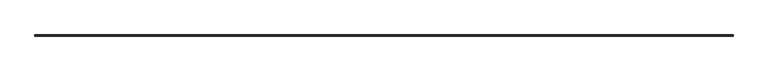
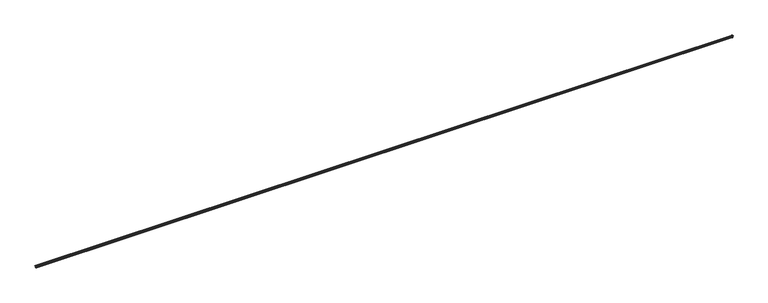
"""IFC4 building model written with IfcOpenShell, lengths in millimetres: railing geometry."""

import ifcopenshell
import ifcopenshell.guid

model = None  # the IFC model being written
_history = None  # IfcOwnerHistory: only IFC2X3 demands one
_inside = {}  # id of a spatial element -> (the spatial element, [elements in it])
_under = {}  # id of a project, library or spatial element -> (it, [spatial elements below it])
_declared = {}  # id of a project -> (the project, [libraries it declares])
_typed = {}  # id of a type object -> (the type object, [elements of that type])
_made_of = {}  # id of a material, layer set ... -> (it, [elements and type objects made of it])


def new_model(schema):
    """Start an empty IFC model of exactly this schema.

    Asked for "IFC4X3", IfcOpenShell would pick the latest addendum, in which some entities
    have other attributes; the version numbers below select the first issue.
    IFC2X3 requires an IfcOwnerHistory on every rooted entity: one is made here for all.
    """
    global model, _history
    if schema == "IFC4X3":
        model = ifcopenshell.file(schema_version=(4, 3, 0, 0))
    else:
        model = ifcopenshell.file(schema=schema)
    _inside.clear()
    _under.clear()
    _declared.clear()
    _typed.clear()
    _made_of.clear()
    _history = None
    if model.schema == "IFC2X3":
        org = make("IfcOrganization", Name="unknown")
        user = make(
            "IfcPersonAndOrganization",
            ThePerson=make("IfcPerson", FamilyName="unknown"),
            TheOrganization=org,
        )
        app = make(
            "IfcApplication",
            ApplicationDeveloper=org,
            Version="unknown",
            ApplicationFullName="unknown",
            ApplicationIdentifier="unknown",
        )
        _history = make(
            "IfcOwnerHistory",
            OwningUser=user,
            OwningApplication=app,
            ChangeAction="ADDED",
            CreationDate=0,
        )
    return model


def make(cls, **values):
    """One entity of the class cls with the attributes given. An attribute that is None is left unset."""
    return model.create_entity(
        cls, **{name: value for name, value in values.items() if value is not None}
    )


def rooted(cls, **values):
    """An entity with a GlobalId (a new one), such as an element, a storey or a relation."""
    return make(cls, GlobalId=ifcopenshell.guid.new(), OwnerHistory=_history, **values)


def si_unit(unit_type, name, prefix=None):
    """IfcSIUnit, for example si_unit("LENGTHUNIT", "METRE", prefix="MILLI")."""
    return make("IfcSIUnit", UnitType=unit_type, Prefix=prefix, Name=name)


def assignment(units):
    """IfcUnitAssignment: the units of a project."""
    return None if units is None else make("IfcUnitAssignment", Units=units)


def point(xyz):
    """IfcCartesianPoint."""
    return None if xyz is None else make("IfcCartesianPoint", Coordinates=xyz)


def direction(xyz):
    """IfcDirection."""
    return None if xyz is None else make("IfcDirection", DirectionRatios=xyz)


def frame(location, z_axis=None, x_axis=None):
    """IfcAxis2Placement3D, a coordinate frame: its origin and axes. An axis left out is left unset."""
    return make(
        "IfcAxis2Placement3D",
        Location=point(location),
        Axis=direction(z_axis),
        RefDirection=direction(x_axis),
    )


def origin():
    """The frame at (0, 0, 0) with its axes left unset."""
    return frame((0.0, 0.0, 0.0))


def place(relative_to, where):
    """IfcLocalPlacement: puts the frame where relative to a parent placement (None: the world)."""
    return make(
        "IfcLocalPlacement", PlacementRelTo=relative_to, RelativePlacement=where
    )


def context(
    kind, dimensions, precision=None, world=None, true_north=None, identifier=None
):
    """IfcGeometricRepresentationContext, for example the 3D "Model" context."""
    return make(
        "IfcGeometricRepresentationContext",
        ContextIdentifier=identifier,
        ContextType=kind,
        CoordinateSpaceDimension=dimensions,
        Precision=precision,
        WorldCoordinateSystem=world,
        TrueNorth=true_north,
    )


def project(units=None, contexts=None):
    """IfcProject with its units and contexts."""
    return rooted(
        "IfcProject",
        Name="project",
        RepresentationContexts=contexts,
        UnitsInContext=assignment(units),
    )


def spatial(cls, under=None, at=None, **own):
    """A site, building, storey or space (cls), placed at a placement, below another one or the project."""
    s = rooted(cls, ObjectPlacement=at, **own)
    if under is not None:
        _under.setdefault(under.id(), (under, []))[1].append(s)
    return s


def polyline(points):
    """IfcPolyline through the points."""
    return make("IfcPolyline", Points=[point(p) for p in points])


def circle_curve(where, radius):
    """IfcCircle in the frame where."""
    return make("IfcCircle", Position=where, Radius=radius)


def ellipse_curve(where, semi_axis1, semi_axis2):
    """IfcEllipse in the frame where."""
    return make(
        "IfcEllipse", Position=where, SemiAxis1=semi_axis1, SemiAxis2=semi_axis2
    )


def shape(context_of_items, identifier, shape_type, items):
    """IfcShapeRepresentation: the items that make up one representation, for example the "Body"."""
    return make(
        "IfcShapeRepresentation",
        ContextOfItems=context_of_items,
        RepresentationIdentifier=identifier,
        RepresentationType=shape_type,
        Items=items,
    )


def source(mapping_origin, context_of_items, identifier, shape_type, items):
    """IfcRepresentationMap: a shape defined once, which mapped items show again and again."""
    return make(
        "IfcRepresentationMap",
        MappingOrigin=mapping_origin,
        MappedRepresentation=shape(context_of_items, identifier, shape_type, items),
    )


def transform(
    local_origin,
    x_axis=None,
    y_axis=None,
    z_axis=None,
    scale=None,
    scale2=None,
    scale3=None,
    uniform=True,
):
    """IfcCartesianTransformationOperator3D, or its non-uniform kind. x_axis, y_axis, z_axis: its Axis1, 2, 3."""
    if uniform:
        return make(
            "IfcCartesianTransformationOperator3D",
            Axis1=direction(x_axis),
            Axis2=direction(y_axis),
            LocalOrigin=point(local_origin),
            Scale=scale,
            Axis3=direction(z_axis),
        )
    return make(
        "IfcCartesianTransformationOperator3DnonUniform",
        Axis1=direction(x_axis),
        Axis2=direction(y_axis),
        LocalOrigin=point(local_origin),
        Scale=scale,
        Axis3=direction(z_axis),
        Scale2=scale2,
        Scale3=scale3,
    )


def mapped(mapping_source, mapping_target):
    """IfcMappedItem: shows the shape of a source again, moved by a transform."""
    return make(
        "IfcMappedItem", MappingSource=mapping_source, MappingTarget=mapping_target
    )


def made_of(thing, what):
    """Note that an element or type object is made of a material, layer set ...; save() writes the relation."""
    if what is not None:
        _made_of.setdefault(what.id(), (what, []))[1].append(thing)
    return thing


def element(
    cls,
    number,
    at=None,
    inside=None,
    cuts=None,
    type_object=None,
    material=None,
    context=None,
    identifier="Body",
    shape_type=None,
    held_by="IfcProductDefinitionShape",
    body=None,
    shapes=None,
    **own,
):
    """One element of the class cls, such as IfcWall. Its Tag is "e" and its number.

    at: its placement. inside: the storey or other place that contains it. cuts: it is an
    opening in that element (IfcRelVoidsElement). A single representation is given by context,
    identifier, shape_type and body (its items); several are given by shapes. held_by: the class
    of the entity that holds the representations. save() writes the other relations.
    """
    e = rooted(cls, Tag="e%d" % number, ObjectPlacement=at, **own)
    if body is not None:
        shapes = [shape(context, identifier, shape_type, body)]
    if shapes is not None:
        e.Representation = make(held_by, Representations=shapes)
    if inside is not None:
        _inside.setdefault(inside.id(), (inside, []))[1].append(e)
    if cuts is not None:
        rooted(
            "IfcRelVoidsElement", RelatingBuildingElement=cuts, RelatedOpeningElement=e
        )
    if type_object is not None:
        _typed.setdefault(type_object.id(), (type_object, []))[1].append(e)
    return made_of(e, material)


def aggregate(whole, parts):
    """IfcRelAggregates: a whole, such as a stair, and the parts it consists of."""
    return rooted("IfcRelAggregates", RelatingObject=whole, RelatedObjects=parts)


def save(model, path):
    """Write the relations noted so far, then the file.

    IfcRelAggregates (storeys below a building ...), IfcRelContainedInSpatialStructure (elements
    in a storey), IfcRelDefinesByType, IfcRelAssociatesMaterial and IfcRelDeclares: one each for
    every whole, place, type object, material and project.
    """
    for whole, parts in _under.values():
        aggregate(whole, parts)
    for where, things in _inside.values():
        rooted(
            "IfcRelContainedInSpatialStructure",
            RelatedElements=things,
            RelatingStructure=where,
        )
    for kind, things in _typed.values():
        rooted("IfcRelDefinesByType", RelatedObjects=things, RelatingType=kind)
    for what, things in _made_of.values():
        rooted("IfcRelAssociatesMaterial", RelatedObjects=things, RelatingMaterial=what)
    for by, libraries in _declared.values():
        rooted("IfcRelDeclares", RelatingContext=by, RelatedDefinitions=libraries)
    model.write(path)


def plane_surface(at):
    """IfcPlane: the flat surface through the origin of the frame at, square to its z axis."""
    return make("IfcPlane", Position=at)


def cylinder_surface(at, radius):
    """IfcCylindricalSurface: all points at the distance radius from the z axis of the frame at."""
    return make("IfcCylindricalSurface", Position=at, Radius=radius)


def revolved_surface(curve, axis_point, axis_direction):
    """IfcSurfaceOfRevolution: the curve turned about the line through axis_point along axis_direction."""
    return make(
        "IfcSurfaceOfRevolution",
        SweptCurve=make("IfcArbitraryOpenProfileDef", ProfileType="CURVE", Curve=curve),
        AxisPosition=make("IfcAxis1Placement", Location=point(axis_point), Axis=direction(axis_direction)),
    )


def advanced_brep(points, edges, surfaces, faces):
    """IfcAdvancedBrep: a solid bounded by faces that lie on surfaces and meet in shared edges.

    An edge is (start, end): straight between two places in points (the first is 0);
    or (start, end, curve); or (start, end, curve, False) where it runs against its curve.
    A face is (place in surfaces, loops), or (place, loops, False) where it looks against
    its surface's normal. A loop lists edges by number (the first is 1), with a minus sign
    where the edge is run from its end to its start. The first loop is the outer one.
    """
    corners = [point(p) for p in points]
    vertices = [make("IfcVertexPoint", VertexGeometry=c) for c in corners]
    made = []
    for start, end, *more in edges:
        made.append(
            make(
                "IfcEdgeCurve",
                EdgeStart=vertices[start],
                EdgeEnd=vertices[end],
                EdgeGeometry=more[0] if more else make("IfcPolyline", Points=[corners[start], corners[end]]),
                SameSense=more[1] if len(more) > 1 else True,
            )
        )
    hull = []
    for where, loops, *sense in faces:
        bounds = []
        for j, loop in enumerate(loops):
            ring = [make("IfcOrientedEdge", EdgeElement=made[abs(k) - 1], Orientation=k > 0) for k in loop]
            bounds.append(
                make(
                    "IfcFaceOuterBound" if j == 0 else "IfcFaceBound",
                    Bound=make("IfcEdgeLoop", EdgeList=ring),
                    Orientation=True,
                )
            )
        hull.append(make("IfcAdvancedFace", Bounds=bounds, FaceSurface=surfaces[where], SameSense=sense[0] if sense else True))
    return make("IfcAdvancedBrep", Outer=make("IfcClosedShell", CfsFaces=hull))


def railing_c31e69ff(model_context):
    return source(origin(), model_context, "Body", "AdvancedBrep", [
        advanced_brep(
        [(25074.4663719, 68163.7828523, 812.0332911), (25074.4663719, 68163.7828523, 808.8554822), (25075.4832708, 68163.7828523, 808.4741451), (25075.4832708, 68163.7828523, 804.7380986), (25075.4832708, 68163.7828523, 793.8805901), (25075.4832708, 68163.7828523, 789.1848452), (25076.277723, 68163.7828523, 788.390393), (25083.1100121, 68163.7828523, 788.390393), (25083.1100121, 68163.7828523, 784.8312471), (25076.277723, 68163.7828523, 784.8312471), (25075.4832708, 68163.7828523, 784.0367949), (25075.4832708, 68163.7828523, 779.34105), (25075.4832708, 68163.7828523, 768.4835415), (25075.4832708, 68163.7828523, 764.747495), (25074.4663719, 68163.7828523, 764.3661579), (25074.4663719, 68163.7828523, 761.2), (25092.6168564, 68163.7828523, 761.2), (25093.604954, 68163.7828523, 767.0097383), (25094.833287, 68163.7828523, 784.2530554), (25098.7798024, 68163.7828523, 795.161599), (25097.5083244, 68163.7828523, 795.1613621), (25097.5083244, 68163.7828523, 796.4316887), (25098.7002897, 68163.7828523, 796.4316887), (25096.0294261, 68163.7828523, 809.8123381), (6786.4663719, 68163.7828523, 812.0332911), (6764.9033177, 68163.7828523, 809.8123381), (6762.2324541, 68163.7828523, 796.4316887), (6763.4244194, 68163.7828523, 796.4316887), (6763.4244194, 68163.7828523, 795.1613621), (6762.1529414, 68163.7828523, 795.161599), (6766.0994568, 68163.7828523, 784.2530554), (6767.3277899, 68163.7828523, 767.0097383), (6768.3158875, 68163.7828523, 761.2), (6786.4663719, 68163.7828523, 761.2), (6786.4663719, 68163.7828523, 764.3661579), (6785.4494731, 68163.7828523, 764.747495), (6785.4494731, 68163.7828523, 768.4835415), (6785.4494731, 68163.7828523, 779.34105), (6785.4494731, 68163.7828523, 784.0367949), (6784.6550209, 68163.7828523, 784.8312471), (6777.8227318, 68163.7828523, 784.8312471), (6777.8227318, 68163.7828523, 788.390393), (6784.6550209, 68163.7828523, 788.390393), (6785.4494731, 68163.7828523, 789.1848452), (6785.4494731, 68163.7828523, 793.8805901), (6785.4494731, 68163.7828523, 804.7380986), (6785.4494731, 68163.7828523, 808.4741451), (6786.4663719, 68163.7828523, 808.8554822), (25074.4663719, 68164.5766023, 812.0332911), (25096.0294261, 68186.1396565, 809.8123381), (6764.9033177, 68186.1396565, 809.8123381), (6786.4663719, 68164.5766023, 812.0332911), (25098.7002897, 68188.8105201, 796.4316887), (6762.2324541, 68188.8105201, 796.4316887), (25097.5083244, 68187.6185548, 796.4316887), (6763.4244194, 68187.6185548, 796.4316887), (25097.5083244, 68187.6185548, 795.1613621), (6763.4244194, 68187.6185548, 795.1613621), (25098.7798024, 68188.8900328, 795.161599), (6762.1529414, 68188.8900328, 795.161599), (25094.833287, 68184.9435174, 784.2530554), (6766.0994568, 68184.9435174, 784.2530554), (25093.604954, 68183.7151844, 767.0097383), (6767.3277899, 68183.7151844, 767.0097383), (25092.6168564, 68182.7270868, 761.2), (6768.3158875, 68182.7270868, 761.2), (25074.4663719, 68164.5766023, 761.2), (6786.4663719, 68164.5766023, 761.2), (25074.4663719, 68164.5766023, 764.3661579), (6786.4663719, 68164.5766023, 764.3661579), (25075.4832708, 68165.5935011, 764.747495), (25075.4832708, 68165.5935011, 768.4835415), (6785.4494731, 68165.5935011, 768.4835415), (6785.4494731, 68165.5935011, 764.747495), (25075.4832708, 68165.5935011, 779.34105), (6785.4494731, 68165.5935011, 779.34105), (25075.4832708, 68165.5935011, 784.0367949), (6785.4494731, 68165.5935011, 784.0367949), (25076.277723, 68166.3879534, 784.8312471), (6784.6550209, 68166.3879534, 784.8312471), (25083.1100121, 68173.2202425, 784.8312471), (6777.8227318, 68173.2202425, 784.8312471), (25083.1100121, 68173.2202425, 788.390393), (6777.8227318, 68173.2202425, 788.390393), (25076.277723, 68166.3879534, 788.390393), (6784.6550209, 68166.3879534, 788.390393), (25075.4832708, 68165.5935011, 789.1848452), (25075.4832708, 68165.5935011, 793.8805901), (6785.4494731, 68165.5935011, 793.8805901), (6785.4494731, 68165.5935011, 789.1848452), (25075.4832708, 68165.5935011, 804.7380986), (6785.4494731, 68165.5935011, 804.7380986), (25075.4832708, 68165.5935011, 808.4741451), (6785.4494731, 68165.5935011, 808.4741451), (25074.4663719, 68164.5766023, 808.8554822), (6786.4663719, 68164.5766023, 808.8554822)],
        [
            (0, 1),
            (1, 2),
            (2, 3),
            (3, 4, circle_curve(frame((25072.1783495, 68163.7828523, 799.3093443), z_axis=(0.0, 1.0, 0.0), x_axis=(0.5200000000000491, 0.0, 0.8541662601624751)), 6.3556178)),
            (4, 5),
            (5, 6),
            (6, 7),
            (7, 8),
            (8, 9),
            (9, 10),
            (10, 11),
            (11, 12, circle_curve(frame((25072.1783495, 68163.7828523, 773.9122958), z_axis=(0.0, 1.0, 0.0), x_axis=(0.5200000000001244, 0.0, -0.8541662601624292)), 6.3556178)),
            (12, 13),
            (13, 14),
            (14, 15),
            (15, 16),
            (16, 17, circle_curve(frame((25090.0629326, 68163.7828523, 764.6232564), z_axis=(0.0, -1.0, 0.0), x_axis=(0.8293242092200629, 0.0, 0.5587677120248783)), 4.2709731)),
            (17, 18, circle_curve(frame((25105.6938075, 68163.7828523, 774.8139939), z_axis=(0.0, 1.0, 0.0), x_axis=(-0.7547730640752663, 0.0, 0.6559859920352217)), 14.3891204)),
            (18, 19, circle_curve(frame((25082.7432386, 68163.7828523, 794.7951791), z_axis=(0.0, -1.0, 0.0), x_axis=(0.9997390631696983, 0.0, 0.022843063992687852)), 16.0407495)),
            (19, 20),
            (20, 21),
            (21, 22),
            (22, 23, circle_curve(frame((25095.2871578, 68163.7828523, 802.7072912), z_axis=(0.0, -1.0, 0.0), x_axis=(0.10390509231793602, 0.0, 0.9945872167841296)), 7.1437144)),
            (23, 0),
            (24, 25),
            (25, 26, circle_curve(frame((6765.645586, 68163.7828523, 802.7072912), z_axis=(0.0, -1.0, 0.0), x_axis=(-0.10390509231793602, 0.0, 0.9945872167841296)), 7.1437144)),
            (26, 27),
            (27, 28),
            (28, 29),
            (29, 30, circle_curve(frame((6778.1895053, 68163.7828523, 794.7951791), z_axis=(0.0, -1.0, 0.0), x_axis=(-0.9997390631696983, 0.0, 0.022843063992687852)), 16.0407495)),
            (30, 31, circle_curve(frame((6755.2389364, 68163.7828523, 774.8139939), z_axis=(0.0, 1.0, 0.0), x_axis=(0.7547730640752663, 0.0, 0.6559859920352217)), 14.3891204)),
            (31, 32, circle_curve(frame((6770.8698112, 68163.7828523, 764.6232564), z_axis=(0.0, -1.0, 0.0), x_axis=(-0.8293242092200629, 0.0, 0.5587677120248783)), 4.2709731)),
            (32, 33),
            (33, 34),
            (34, 35),
            (35, 36),
            (36, 37, circle_curve(frame((6788.7543943, 68163.7828523, 773.9122958), z_axis=(0.0, 1.0, 0.0), x_axis=(-0.5200000000001244, 0.0, -0.8541662601624292)), 6.3556178)),
            (37, 38),
            (38, 39),
            (39, 40),
            (40, 41),
            (41, 42),
            (42, 43),
            (43, 44),
            (44, 45, circle_curve(frame((6788.7543943, 68163.7828523, 799.3093443), z_axis=(0.0, 1.0, 0.0), x_axis=(-0.5200000000000491, 0.0, 0.8541662601624751)), 6.3556178)),
            (45, 46),
            (46, 47),
            (47, 24),
            (48, 49),
            (49, 50),
            (50, 51),
            (51, 48),
            (49, 52, ellipse_curve(frame((25095.2871578, 68185.3973882, 802.7072912), z_axis=(-0.7071067811865461, 0.7071067811865488, 0.0), x_axis=(0.7071067811865489, 0.707106781186546, 0.0)), 10.1027377, 7.1437144)),
            (52, 53),
            (53, 50, ellipse_curve(frame((6765.645586, 68185.3973882, 802.7072912), z_axis=(0.7071067811865488, 0.7071067811865461, 0.0), x_axis=(0.7071067811865462, -0.7071067811865487, 0.0)), 10.1027377, 7.1437144)),
            (52, 54),
            (54, 55),
            (55, 53),
            (54, 56),
            (56, 57),
            (57, 55),
            (56, 58),
            (58, 59),
            (59, 57),
            (58, 60, ellipse_curve(frame((25082.7432386, 68172.8534689, 794.7951791), z_axis=(-0.7071067811865461, 0.7071067811865488, 0.0), x_axis=(0.7071067811865489, 0.707106781186546, 0.0)), 22.6850455, 16.0407495)),
            (60, 61),
            (61, 59, ellipse_curve(frame((6778.1895053, 68172.8534689, 794.7951791), z_axis=(0.7071067811865488, 0.7071067811865461, 0.0), x_axis=(0.7071067811865462, -0.7071067811865487, 0.0)), 22.6850455, 16.0407495)),
            (60, 62, ellipse_curve(frame((25105.6938075, 68195.8040379, 774.8139939), z_axis=(0.7071067811865461, -0.7071067811865488, 0.0), x_axis=(-0.7071067811865489, -0.707106781186546, 0.0)), 20.3492892, 14.3891204)),
            (62, 63),
            (63, 61, ellipse_curve(frame((6755.2389364, 68195.8040379, 774.8139939), z_axis=(-0.7071067811865488, -0.7071067811865461, 0.0), x_axis=(-0.7071067811865462, 0.7071067811865487, 0.0)), 20.3492892, 14.3891204)),
            (62, 64, ellipse_curve(frame((25090.0629326, 68180.173163, 764.6232564), z_axis=(-0.7071067811865461, 0.7071067811865488, 0.0), x_axis=(0.7071067811865489, 0.707106781186546, 0.0)), 6.0400681, 4.2709731)),
            (64, 65),
            (65, 63, ellipse_curve(frame((6770.8698112, 68180.173163, 764.6232564), z_axis=(0.7071067811865488, 0.7071067811865461, 0.0), x_axis=(0.7071067811865462, -0.7071067811865487, 0.0)), 6.0400681, 4.2709731)),
            (64, 66),
            (66, 67),
            (67, 65),
            (66, 68),
            (68, 69),
            (69, 67),
            (70, 71),
            (71, 72),
            (72, 73),
            (73, 70),
            (71, 74, ellipse_curve(frame((25072.1783495, 68162.2885799, 773.9122958), z_axis=(0.7071067811865461, -0.7071067811865488, 0.0), x_axis=(-0.7071067811865489, -0.707106781186546, 0.0)), 8.9882008, 6.3556178)),
            (74, 75),
            (75, 72, ellipse_curve(frame((6788.7543943, 68162.2885799, 773.9122958), z_axis=(-0.7071067811865488, -0.7071067811865461, 0.0), x_axis=(-0.7071067811865462, 0.7071067811865487, 0.0)), 8.9882008, 6.3556178)),
            (74, 76),
            (76, 77),
            (77, 75),
            (76, 78),
            (78, 79),
            (79, 77),
            (78, 80),
            (80, 81),
            (81, 79),
            (80, 82),
            (82, 83),
            (83, 81),
            (82, 84),
            (84, 85),
            (85, 83),
            (86, 87),
            (87, 88),
            (88, 89),
            (89, 86),
            (87, 90, ellipse_curve(frame((25072.1783495, 68162.2885799, 799.3093443), z_axis=(0.7071067811865461, -0.7071067811865488, 0.0), x_axis=(-0.7071067811865489, -0.707106781186546, 0.0)), 8.9882008, 6.3556178)),
            (90, 91),
            (91, 88, ellipse_curve(frame((6788.7543943, 68162.2885799, 799.3093443), z_axis=(-0.7071067811865488, -0.7071067811865461, 0.0), x_axis=(-0.7071067811865462, 0.7071067811865487, 0.0)), 8.9882008, 6.3556178)),
            (90, 92),
            (92, 93),
            (93, 91),
            (92, 94),
            (94, 95),
            (95, 93),
            (68, 70),
            (73, 69),
            (84, 86),
            (89, 85),
            (94, 48),
            (51, 95),
            (0, 48),
            (94, 1),
            (23, 49),
            (51, 24),
            (47, 95),
            (50, 25),
            (6, 84),
            (82, 7),
            (80, 8),
            (78, 9),
            (76, 10),
            (74, 11),
            (71, 12),
            (70, 13),
            (14, 68),
            (66, 15),
            (64, 16),
            (62, 17),
            (60, 18),
            (58, 19),
            (56, 20),
            (54, 21),
            (52, 22),
            (85, 42),
            (41, 83),
            (40, 81),
            (39, 79),
            (38, 77),
            (37, 75),
            (36, 72),
            (35, 73),
            (69, 34),
            (33, 67),
            (32, 65),
            (31, 63),
            (30, 61),
            (29, 59),
            (28, 57),
            (27, 55),
            (26, 53),
            (92, 2),
            (90, 3),
            (87, 4),
            (86, 5),
            (46, 93),
            (45, 91),
            (44, 88),
            (43, 89),
        ],
        [
            plane_surface(frame((25074.4663719, 68163.7828523, 812.8), z_axis=(0.0, -1.0, 0.0), x_axis=(0.0, 0.0, 1.0))),
            plane_surface(frame((6786.4663719, 68163.7828523, 812.8), z_axis=(0.0, -1.0, 0.0), x_axis=(0.0, 0.0, -1.0))),
            plane_surface(frame((25096.0294261, 68186.1396565, 809.8123381), z_axis=(0.0, 0.10245604468438044, 0.9947375326726304), x_axis=(-1.0, 0.0, 0.0))),
            cylinder_surface(frame((25074.4663719, 68185.3973882, 802.7072912), z_axis=(1.0000000000000002, 0.0, 0.0), x_axis=(0.0, 0.10390509231793602, 0.9945872167841296)), 7.1437144),
            plane_surface(frame((25097.5083244, 68187.6185548, 796.4316887), z_axis=(0.0, 0.0, -1.0), x_axis=(-1.0, 0.0, 0.0))),
            plane_surface(frame((25097.5083244, 68187.6185548, 795.1613621), z_axis=(0.0, 1.0, 0.0), x_axis=(-1.0, 0.0, 0.0))),
            plane_surface(frame((25098.7798024, 68188.8900328, 795.161599), z_axis=(0.0, -0.00018628075970573773, 0.9999999826497391), x_axis=(-1.0, 0.0, 0.0))),
            cylinder_surface(frame((25074.4663719, 68172.8534689, 794.7951791), z_axis=(1.0, 0.0, 0.0), x_axis=(0.0, 0.9997390631696983, 0.022843063992687852)), 16.0407495),
            revolved_surface(polyline([(6740.849816014354, 68184.94351740634, 784.2530553201083), (25120.082927885647, 68184.94351740634, 784.2530553201083)]), (25074.4663719, 68195.8040379, 774.8139939), (-1.0, 0.0, 0.0)),
            cylinder_surface(frame((25074.4663719, 68180.173163, 764.6232564), z_axis=(1.0, 0.0, 0.0), x_axis=(0.0, 0.8293242092200629, 0.5587677120248783)), 4.2709731),
            plane_surface(frame((25074.4663719, 68164.5766023, 761.2), z_axis=(0.0, 0.0, -1.0), x_axis=(-1.0, 0.0, 0.0))),
            plane_surface(frame((25074.4663719, 68164.5766023, 764.3661579), z_axis=(0.0, -1.0, 0.0), x_axis=(-1.0, 0.0, 0.0))),
            plane_surface(frame((25075.4832708, 68165.5935011, 768.4835415), z_axis=(0.0, -1.0, 0.0), x_axis=(-1.0, 0.0, 0.0))),
            revolved_surface(polyline([(6782.398776563656, 68165.593501156, 768.4835415127523), (25078.533967236348, 68165.593501156, 768.4835415127523)]), (25074.4663719, 68162.2885799, 773.9122958), (-1.0, 0.0, 0.0)),
            plane_surface(frame((25075.4832708, 68165.5935011, 784.0367949), z_axis=(0.0, -1.0, 0.0), x_axis=(-1.0, 0.0, 0.0))),
            plane_surface(frame((25076.277723, 68166.3879534, 784.8312471), z_axis=(0.0, -0.7071067811866235, 0.7071067811864715), x_axis=(-1.0, 0.0, 0.0))),
            plane_surface(frame((25083.1100121, 68173.2202425, 784.8312471), z_axis=(0.0, 0.0, 1.0), x_axis=(-1.0, 0.0, 0.0))),
            plane_surface(frame((25083.1100121, 68173.2202425, 788.390393), z_axis=(0.0, -1.0, 0.0), x_axis=(-1.0, 0.0, 0.0))),
            plane_surface(frame((25076.277723, 68166.3879534, 788.390393), z_axis=(0.0, 0.0, -1.0), x_axis=(-1.0, 0.0, 0.0))),
            plane_surface(frame((25075.4832708, 68165.5935011, 793.8805901), z_axis=(0.0, -1.0, 0.0), x_axis=(-1.0, 0.0, 0.0))),
            revolved_surface(polyline([(6782.398776563656, 68165.593501156, 804.738098587248), (25078.533967236348, 68165.593501156, 804.738098587248)]), (25074.4663719, 68162.2885799, 799.3093443), (-1.0, 0.0, 0.0)),
            plane_surface(frame((25075.4832708, 68165.5935011, 808.4741451), z_axis=(0.0, -1.0, 0.0), x_axis=(-1.0, 0.0, 0.0))),
            plane_surface(frame((25074.4663719, 68164.5766023, 808.8554822), z_axis=(0.0, -0.35112344158896536, -0.9363291775688294), x_axis=(-1.0, 0.0, 0.0))),
            plane_surface(frame((25075.4832708, 68165.5935011, 764.747495), z_axis=(0.0, -0.3511234415876268, 0.9363291775693313), x_axis=(-1.0, 0.0, 0.0))),
            plane_surface(frame((25075.4832708, 68165.5935011, 789.1848452), z_axis=(0.0, -0.7071067811866313, -0.7071067811864638), x_axis=(-1.0, 0.0, 0.0))),
            plane_surface(frame((25074.4663719, 68164.5766023, 812.0332911), z_axis=(0.0, -1.0, 0.0), x_axis=(-1.0, 0.0, 0.0))),
            plane_surface(frame((25074.4663719, 68163.7828523, 812.0332911), z_axis=(-1.0, 0.0, 0.0), x_axis=(0.0, 1.0, 0.0))),
            plane_surface(frame((25096.0294261, 68163.7828523, 809.8123381), z_axis=(0.10245604468438044, 0.0, 0.9947375326726304), x_axis=(0.0, 1.0, 0.0))),
            plane_surface(frame((6786.4663719, 68164.5766023, 812.0332911), z_axis=(1.0, 2.7284841052989324e-12, 0.0), x_axis=(2.7284841052989324e-12, -1.0, 0.0))),
            plane_surface(frame((6764.9033177, 68186.1396565, 809.8123381), z_axis=(-0.10245604468438044, 0.0, 0.9947375326726304), x_axis=(0.0, -1.0, 0.0))),
            plane_surface(frame((25076.277723, 68163.7828523, 788.390393), z_axis=(0.0, 0.0, -1.0), x_axis=(0.0, 1.0, 0.0))),
            plane_surface(frame((25083.1100121, 68163.7828523, 788.390393), z_axis=(-1.0, 0.0, 0.0), x_axis=(0.0, 1.0, 0.0))),
            plane_surface(frame((25083.1100121, 68163.7828523, 784.8312471), z_axis=(0.0, 0.0, 1.0), x_axis=(0.0, 1.0, 0.0))),
            plane_surface(frame((25076.277723, 68163.7828523, 784.8312471), z_axis=(-0.7071067811866235, 0.0, 0.7071067811864715), x_axis=(0.0, 1.0, 0.0))),
            plane_surface(frame((25075.4832708, 68163.7828523, 784.0367949), z_axis=(-1.0, 0.0, 0.0), x_axis=(0.0, 1.0, 0.0))),
            revolved_surface(polyline([(25075.483270756, 68168.64419763636, 768.4835415127523), (25075.483270756, 68155.93296216366, 768.4835415127523)]), (25072.1783495, 68163.7828523, 773.9122958), (0.0, 1.0, 0.0)),
            plane_surface(frame((25075.4832708, 68163.7828523, 768.4835415), z_axis=(-1.0, 0.0, 0.0), x_axis=(0.0, 1.0, 0.0))),
            plane_surface(frame((25074.4663719, 68163.7828523, 764.3661579), z_axis=(-1.0, 0.0, 0.0), x_axis=(0.0, 1.0, 0.0))),
            plane_surface(frame((25074.4663719, 68163.7828523, 761.2), z_axis=(0.0, 0.0, -1.0), x_axis=(5.456968210597865e-12, 1.0, 0.0))),
            cylinder_surface(frame((25090.0629326, 68163.7828523, 764.6232564), z_axis=(0.0, -1.0, 0.0), x_axis=(0.8293242092200629, 0.0, 0.5587677120248783)), 4.2709731),
            revolved_surface(polyline([(25094.833287006342, 68210.19315828565, 784.2530553201083), (25094.833287006342, 68163.7828523, 784.2530553201083)]), (25105.6938075, 68163.7828523, 774.8139939), (0.0, 1.0, 0.0)),
            cylinder_surface(frame((25082.7432386, 68163.7828523, 794.7951791), z_axis=(0.0, -1.0, 0.0), x_axis=(0.9997390631696983, 0.0, 0.022843063992687852)), 16.0407495),
            plane_surface(frame((25098.7798024, 68163.7828523, 795.161599), z_axis=(-0.00018628075970573773, 0.0, 0.9999999826497391), x_axis=(0.0, 1.0, 0.0))),
            plane_surface(frame((25097.5083244, 68163.7828523, 795.1613621), z_axis=(1.0, 0.0, 0.0), x_axis=(0.0, 1.0, 0.0))),
            plane_surface(frame((25097.5083244, 68163.7828523, 796.4316887), z_axis=(0.0, 0.0, -1.0), x_axis=(0.0, 1.0, 0.0))),
            cylinder_surface(frame((25095.2871578, 68163.7828523, 802.7072912), z_axis=(0.0, -1.0000000000000002, 0.0), x_axis=(0.10390509231793602, 0.0, 0.9945872167841296)), 7.1437144),
            plane_surface(frame((6784.6550209, 68166.3879534, 788.390393), z_axis=(0.0, 0.0, -1.0), x_axis=(0.0, -1.0, 0.0))),
            plane_surface(frame((6777.8227318, 68173.2202425, 788.390393), z_axis=(1.0, 0.0, 0.0), x_axis=(0.0, -1.0, 0.0))),
            plane_surface(frame((6777.8227318, 68173.2202425, 784.8312471), z_axis=(0.0, 0.0, 1.0), x_axis=(0.0, -1.0, 0.0))),
            plane_surface(frame((6784.6550209, 68166.3879534, 784.8312471), z_axis=(0.7071067811866235, 0.0, 0.7071067811864715), x_axis=(0.0, -1.0, 0.0))),
            plane_surface(frame((6785.4494731, 68165.5935011, 784.0367949), z_axis=(1.0, 1.196109487988973e-12, 0.0), x_axis=(1.196109487988973e-12, -1.0, 0.0))),
            revolved_surface(polyline([(6785.449473043999, 68155.93296216366, 768.4835415127523), (6785.449473043999, 68168.64419763636, 768.4835415127523)]), (6788.7543943, 68164.5766023, 773.9122958), (0.0, -1.0, 0.0)),
            plane_surface(frame((6785.4494731, 68165.5935011, 768.4835415), z_axis=(1.0, 1.196109487988973e-12, 0.0), x_axis=(1.196109487988973e-12, -1.0, 0.0))),
            plane_surface(frame((6786.4663719, 68164.5766023, 764.3661579), z_axis=(1.0, 2.7284841052989324e-12, 0.0), x_axis=(2.7284841052989324e-12, -1.0, 0.0))),
            plane_surface(frame((6786.4663719, 68164.5766023, 761.2), z_axis=(0.0, 0.0, -1.0), x_axis=(1.3642420526494662e-12, -1.0, 0.0))),
            cylinder_surface(frame((6770.8698112, 68164.5766023, 764.6232564), z_axis=(0.0, 1.0, 0.0), x_axis=(-0.8293242092200629, 0.0, 0.5587677120248783)), 4.2709731),
            revolved_surface(polyline([(6766.099456893656, 68163.7828523, 784.2530553201083), (6766.099456893656, 68210.19315828565, 784.2530553201083)]), (6755.2389364, 68164.5766023, 774.8139939), (0.0, -1.0, 0.0)),
            cylinder_surface(frame((6778.1895053, 68164.5766023, 794.7951791), z_axis=(0.0, 1.0, 0.0), x_axis=(-0.9997390631696983, 0.0, 0.022843063992687852)), 16.0407495),
            plane_surface(frame((6762.1529414, 68188.8900328, 795.161599), z_axis=(0.00018628075970573773, 0.0, 0.9999999826497391), x_axis=(0.0, -1.0, 0.0))),
            plane_surface(frame((6763.4244194, 68187.6185548, 795.1613621), z_axis=(-1.0, 0.0, 0.0), x_axis=(0.0, -1.0, 0.0))),
            plane_surface(frame((6763.4244194, 68187.6185548, 796.4316887), z_axis=(0.0, 0.0, -1.0), x_axis=(0.0, -1.0, 0.0))),
            cylinder_surface(frame((6765.645586, 68164.5766023, 802.7072912), z_axis=(0.0, 1.0000000000000002, 0.0), x_axis=(-0.10390509231793602, 0.0, 0.9945872167841296)), 7.1437144),
            plane_surface(frame((25074.4663719, 68163.7828523, 808.8554822), z_axis=(-0.35112344158896536, 0.0, -0.9363291775688294), x_axis=(0.0, 1.0, 0.0))),
            plane_surface(frame((25075.4832708, 68163.7828523, 808.4741451), z_axis=(-1.0, 2.3922189759893915e-12, 0.0), x_axis=(2.3922189759893915e-12, 1.0, 0.0))),
            revolved_surface(polyline([(25075.483270756, 68168.64419763636, 804.738098587248), (25075.483270756, 68155.93296216366, 804.738098587248)]), (25072.1783495, 68163.7828523, 799.3093443), (0.0, 1.0, 0.0)),
            plane_surface(frame((25075.4832708, 68163.7828523, 793.8805901), z_axis=(-1.0, 2.3922189759893915e-12, 0.0), x_axis=(2.3922189759893915e-12, 1.0, 0.0))),
            plane_surface(frame((6786.4663719, 68164.5766023, 808.8554822), z_axis=(0.35112344158896536, 0.0, -0.9363291775688294), x_axis=(2.7284841052989324e-12, -1.0, 0.0))),
            plane_surface(frame((6785.4494731, 68165.5935011, 808.4741451), z_axis=(1.0, 1.1961094879946958e-12, 0.0), x_axis=(1.1961094879946958e-12, -1.0, 0.0))),
            revolved_surface(polyline([(6785.449473044, 68155.93296216366, 804.738098587248), (6785.449473044, 68168.64419763636, 804.738098587248)]), (6788.7543943, 68164.5766023, 799.3093443), (0.0, -1.0, 0.0)),
            plane_surface(frame((6785.4494731, 68165.5935011, 793.8805901), z_axis=(1.0, 1.1961094879946958e-12, 0.0), x_axis=(1.1961094879946958e-12, -1.0, 0.0))),
            plane_surface(frame((25075.4832708, 68163.7828523, 789.1848452), z_axis=(-0.7071067811866313, 1.6915542600054378e-12, -0.7071067811864638), x_axis=(2.3922189759893915e-12, 1.0, 0.0))),
            plane_surface(frame((25075.4832708, 68163.7828523, 764.747495), z_axis=(-0.3511234415876268, 0.0, 0.9363291775693313), x_axis=(0.0, 1.0, 0.0))),
            plane_surface(frame((6785.4494731, 68165.5935011, 789.1848452), z_axis=(0.7071067811866313, 0.0, -0.7071067811864638), x_axis=(0.0, -1.0, 0.0))),
            plane_surface(frame((6785.4494731, 68165.5935011, 764.747495), z_axis=(0.3511234415876268, 0.0, 0.9363291775693313), x_axis=(1.196109487988973e-12, -1.0, 0.0))),
        ],
        [
            (0, [[1, 2, 3, 4, 5, 6, 7, 8, 9, 10, 11, 12, 13, 14, 15, 16, 17, 18, 19, 20, 21, 22, 23, 24]]),
            (1, [[25, 26, 27, 28, 29, 30, 31, 32, 33, 34, 35, 36, 37, 38, 39, 40, 41, 42, 43, 44, 45, 46, 47, 48]]),
            (2, [[49, 50, 51, 52]]),
            (3, [[53, 54, 55, -50]]),
            (4, [[56, 57, 58, -54]]),
            (5, [[59, 60, 61, -57]]),
            (6, [[62, 63, 64, -60]]),
            (7, [[65, 66, 67, -63]]),
            (8, [[68, 69, 70, -66]]),
            (9, [[71, 72, 73, -69]]),
            (10, [[74, 75, 76, -72]]),
            (11, [[77, 78, 79, -75]]),
            (12, [[80, 81, 82, 83]]),
            (13, [[84, 85, 86, -81]]),
            (14, [[87, 88, 89, -85]]),
            (15, [[90, 91, 92, -88]]),
            (16, [[93, 94, 95, -91]]),
            (17, [[96, 97, 98, -94]]),
            (18, [[99, 100, 101, -97]]),
            (19, [[102, 103, 104, 105]]),
            (20, [[106, 107, 108, -103]]),
            (21, [[109, 110, 111, -107]]),
            (22, [[112, 113, 114, -110]]),
            (23, [[115, -83, 116, -78]]),
            (24, [[117, -105, 118, -100]]),
            (25, [[119, -52, 120, -113]]),
            (26, [[-1, 121, -119, 122]]),
            (27, [[-24, 123, -49, -121]]),
            (28, [[-120, 124, -48, 125]]),
            (29, [[-51, 126, -25, -124]]),
            (30, [[-7, 127, -99, 128]]),
            (31, [[-8, -128, -96, 129]]),
            (32, [[-9, -129, -93, 130]]),
            (33, [[-10, -130, -90, 131]]),
            (34, [[-11, -131, -87, 132]]),
            (35, [[-12, -132, -84, 133]]),
            (36, [[-13, -133, -80, 134]]),
            (37, [[-15, 135, -77, 136]]),
            (38, [[-16, -136, -74, 137]]),
            (39, [[-17, -137, -71, 138]]),
            (40, [[-18, -138, -68, 139]]),
            (41, [[-19, -139, -65, 140]]),
            (42, [[-20, -140, -62, 141]]),
            (43, [[-21, -141, -59, 142]]),
            (44, [[-22, -142, -56, 143]]),
            (45, [[-23, -143, -53, -123]]),
            (46, [[-101, 144, -42, 145]]),
            (47, [[-98, -145, -41, 146]]),
            (48, [[-95, -146, -40, 147]]),
            (49, [[-92, -147, -39, 148]]),
            (50, [[-89, -148, -38, 149]]),
            (51, [[-86, -149, -37, 150]]),
            (52, [[-82, -150, -36, 151]]),
            (53, [[-79, 152, -34, 153]]),
            (54, [[-76, -153, -33, 154]]),
            (55, [[-73, -154, -32, 155]]),
            (56, [[-70, -155, -31, 156]]),
            (57, [[-67, -156, -30, 157]]),
            (58, [[-64, -157, -29, 158]]),
            (59, [[-61, -158, -28, 159]]),
            (60, [[-58, -159, -27, 160]]),
            (61, [[-55, -160, -26, -126]]),
            (62, [[-2, -122, -112, 161]]),
            (63, [[-3, -161, -109, 162]]),
            (64, [[-4, -162, -106, 163]]),
            (65, [[-5, -163, -102, 164]]),
            (66, [[-114, -125, -47, 165]]),
            (67, [[-111, -165, -46, 166]]),
            (68, [[-108, -166, -45, 167]]),
            (69, [[-104, -167, -44, 168]]),
            (70, [[-6, -164, -117, -127]]),
            (71, [[-14, -134, -115, -135]]),
            (72, [[-118, -168, -43, -144]]),
            (73, [[-116, -151, -35, -152]]),
        ],
    ),
        advanced_brep(
        [(25096.0863234, 68163.7828523, 810.5731868), (25074.4663719, 68163.7828523, 812.8), (25074.4663719, 68163.7828523, 812.0020508), (25096.00556, 68163.7828523, 809.783556), (25097.6770814, 68163.7828523, 796.0081948), (25097.94379, 68163.7828523, 795.2605949), (6764.8464204, 68163.7828523, 810.5731868), (6762.9889538, 68163.7828523, 795.2605949), (6763.2556624, 68163.7828523, 796.0081948), (6764.9271838, 68163.7828523, 809.783556), (6786.4663719, 68163.7828523, 812.0020508), (6786.4663719, 68163.7828523, 812.8), (25096.0863234, 68186.1965538, 810.5731868), (25074.4663719, 68164.5766023, 812.8), (25097.6770814, 68187.7873118, 796.0081948), (25097.94379, 68188.0540204, 795.2605949), (25074.4663719, 68164.5766023, 812.0020508), (25096.00556, 68186.1157904, 809.783556), (6764.8464204, 68186.1965538, 810.5731868), (6786.4663719, 68164.5766023, 812.8), (6763.2556624, 68187.7873118, 796.0081948), (6762.9889538, 68188.0540204, 795.2605949), (6786.4663719, 68164.5766023, 812.0020508), (6764.9271838, 68186.1157904, 809.783556)],
        [
            (0, 1),
            (1, 2),
            (2, 3),
            (3, 4, circle_curve(frame((25095.2871578, 68163.7828523, 802.7072912), z_axis=(0.0, 1.0, 0.0), x_axis=(0.10107845758500397, 0.0, 0.9948784576078812)), 7.1126385)),
            (4, 5),
            (5, 0, circle_curve(frame((25095.2871578, 68163.7828523, 802.7072912), z_axis=(0.0, -1.0, 0.0), x_axis=(0.10107845758500397, 0.0, 0.9948784576078812)), 7.9063885)),
            (6, 7, circle_curve(frame((6765.645586, 68163.7828523, 802.7072912), z_axis=(0.0, -1.0, 0.0), x_axis=(-0.10107845758500397, 0.0, 0.9948784576078812)), 7.9063885)),
            (7, 8),
            (8, 9, circle_curve(frame((6765.645586, 68163.7828523, 802.7072912), z_axis=(0.0, 1.0, 0.0), x_axis=(-0.10107845758500397, 0.0, 0.9948784576078812)), 7.1126385)),
            (9, 10),
            (10, 11),
            (11, 6),
            (0, 12),
            (12, 13),
            (13, 1),
            (4, 14),
            (14, 15),
            (15, 5),
            (2, 16),
            (16, 17),
            (17, 3),
            (17, 14, ellipse_curve(frame((25095.2871578, 68185.3973882, 802.7072912), z_axis=(-0.7071067811865461, 0.7071067811865488, 0.0), x_axis=(0.7071067811865487, 0.7071067811865462, 0.0)), 10.0587898, 7.1126385)),
            (13, 16),
            (15, 12, ellipse_curve(frame((25095.2871578, 68185.3973882, 802.7072912), z_axis=(0.7071067811865461, -0.7071067811865488, 0.0), x_axis=(-0.7071067811865487, -0.7071067811865462, 0.0)), 11.1813218, 7.9063885)),
            (12, 18),
            (18, 19),
            (19, 13),
            (14, 20),
            (20, 21),
            (21, 15),
            (16, 22),
            (22, 23),
            (23, 17),
            (23, 20, ellipse_curve(frame((6765.645586, 68185.3973882, 802.7072912), z_axis=(-0.7071067811865488, -0.7071067811865461, 0.0), x_axis=(-0.7071067811865462, 0.7071067811865487, 0.0)), 10.0587898, 7.1126385)),
            (19, 22),
            (21, 18, ellipse_curve(frame((6765.645586, 68185.3973882, 802.7072912), z_axis=(0.7071067811865488, 0.7071067811865461, 0.0), x_axis=(0.7071067811865462, -0.7071067811865487, 0.0)), 11.1813218, 7.9063885)),
            (18, 6),
            (11, 19),
            (20, 8),
            (7, 21),
            (22, 10),
            (9, 23),
        ],
        [
            plane_surface(frame((25074.4663719, 68163.7828523, 812.8), z_axis=(0.0, -1.0, 0.0), x_axis=(0.0, 0.0, 1.0))),
            plane_surface(frame((6786.4663719, 68163.7828523, 812.8), z_axis=(0.0, -1.0, 0.0), x_axis=(0.0, 0.0, -1.0))),
            plane_surface(frame((25096.0863234, 68163.7828523, 810.5731868), z_axis=(0.10245604468416594, 0.0, 0.9947375326726524), x_axis=(0.0, 1.0, 0.0))),
            plane_surface(frame((25097.6770814, 68163.7828523, 796.0081948), z_axis=(-0.9418581225195913, 0.0, -0.33601082875983407), x_axis=(0.0, 1.0, 0.0))),
            plane_surface(frame((25074.4663719, 68163.7828523, 812.0020508), z_axis=(-0.10245604468416594, 0.0, -0.9947375326726525), x_axis=(0.0, 1.0, 0.0))),
            revolved_surface(polyline([(25096.006092328942, 68192.51002667811, 809.7835020204025), (25096.006092328942, 68163.7828523, 809.7835020204025)]), (25095.2871578, 68163.7828523, 802.7072912), (0.0, 1.0, 0.0)),
            plane_surface(frame((25074.4663719, 68163.7828523, 812.8), z_axis=(-1.0, 0.0, 0.0), x_axis=(0.0, 1.0, 0.0))),
            cylinder_surface(frame((25095.2871578, 68163.7828523, 802.7072912), z_axis=(0.0, -1.0, 0.0), x_axis=(0.10107845758500397, 0.0, 0.9948784576078812)), 7.9063885),
            plane_surface(frame((25096.0863234, 68186.1965538, 810.5731868), z_axis=(0.0, 0.10245604468416594, 0.9947375326726524), x_axis=(-1.0, 0.0, 0.0))),
            plane_surface(frame((25097.6770814, 68187.7873118, 796.0081948), z_axis=(0.0, -0.9418581225195913, -0.33601082875983407), x_axis=(-1.0, 0.0, 0.0))),
            plane_surface(frame((25074.4663719, 68164.5766023, 812.0020508), z_axis=(0.0, -0.10245604468416594, -0.9947375326726525), x_axis=(-1.0, 0.0, 0.0))),
            revolved_surface(polyline([(6758.53294752189, 68186.11632272894, 809.7835020204025), (25102.39979627811, 68186.11632272894, 809.7835020204025)]), (25074.4663719, 68185.3973882, 802.7072912), (-1.0, 0.0, 0.0)),
            plane_surface(frame((25074.4663719, 68164.5766023, 812.8), z_axis=(0.0, -1.0, 0.0), x_axis=(-1.0, 0.0, 0.0))),
            cylinder_surface(frame((25074.4663719, 68185.3973882, 802.7072912), z_axis=(1.0, 0.0, 0.0), x_axis=(0.0, 0.10107845758500397, 0.9948784576078812)), 7.9063885),
            plane_surface(frame((6764.8464204, 68186.1965538, 810.5731868), z_axis=(-0.10245604468416594, 0.0, 0.9947375326726524), x_axis=(0.0, -1.0, 0.0))),
            plane_surface(frame((6763.2556624, 68187.7873118, 796.0081948), z_axis=(0.9418581225195913, 0.0, -0.33601082875983407), x_axis=(0.0, -1.0, 0.0))),
            plane_surface(frame((6786.4663719, 68164.5766023, 812.0020508), z_axis=(0.10245604468416594, 0.0, -0.9947375326726525), x_axis=(1.3642420526494662e-12, -1.0, 0.0))),
            revolved_surface(polyline([(6764.92665147106, 68163.7828523, 809.7835020204025), (6764.92665147106, 68192.51002667811, 809.7835020204025)]), (6765.645586, 68164.5766023, 802.7072912), (0.0, -1.0, 0.0)),
            plane_surface(frame((6786.4663719, 68164.5766023, 812.8), z_axis=(1.0, 2.7284841052989324e-12, 0.0), x_axis=(2.7284841052989324e-12, -1.0, 0.0))),
            cylinder_surface(frame((6765.645586, 68164.5766023, 802.7072912), z_axis=(0.0, 1.0, 0.0), x_axis=(-0.10107845758500397, 0.0, 0.9948784576078812)), 7.9063885),
        ],
        [
            (0, [[1, 2, 3, 4, 5, 6]]),
            (1, [[7, 8, 9, 10, 11, 12]]),
            (2, [[-1, 13, 14, 15]]),
            (3, [[-5, 16, 17, 18]]),
            (4, [[-3, 19, 20, 21]]),
            (5, [[-4, -21, 22, -16]]),
            (6, [[-2, -15, 23, -19]]),
            (7, [[-6, -18, 24, -13]]),
            (8, [[-14, 25, 26, 27]]),
            (9, [[-17, 28, 29, 30]]),
            (10, [[-20, 31, 32, 33]]),
            (11, [[-22, -33, 34, -28]]),
            (12, [[-23, -27, 35, -31]]),
            (13, [[-24, -30, 36, -25]]),
            (14, [[-26, 37, -12, 38]]),
            (15, [[-29, 39, -8, 40]]),
            (16, [[-32, 41, -10, 42]]),
            (17, [[-34, -42, -9, -39]]),
            (18, [[-35, -38, -11, -41]]),
            (19, [[-36, -40, -7, -37]]),
        ],
    ),
    ])


if __name__ == "__main__":
    model = new_model("IFC4")
    model_context = context("Model", 3, world=origin())
    ifc_project = project(units=[si_unit("LENGTHUNIT", "METRE", prefix="MILLI")], contexts=[model_context])
    site = spatial("IfcSite", under=ifc_project)
    building = spatial("IfcBuilding", under=site)
    placement = place(None, origin())
    railing_shape = railing_c31e69ff(model_context)
    element("IfcRailing", 1, at=placement, inside=building, context=model_context, shape_type="MappedRepresentation", body=[
        mapped(railing_shape, transform((0.0, 0.0, 0.0), x_axis=(1.0, 0.0, 0.0), y_axis=(0.0, 1.0, 0.0), z_axis=(0.0, 0.0, 1.0))),
    ])
    save(model, "model.ifc")
